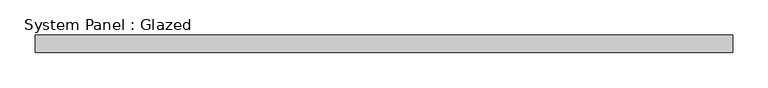
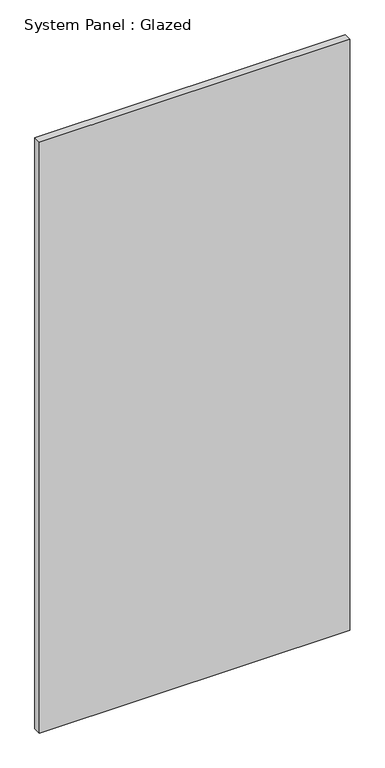
"""IFC4 building model written with IfcOpenShell, lengths in millimetres: plate geometry, System Panel : Glazed."""

from ifc_helpers import new_model, si_unit, origin, origin_with_axes, place, context, project, spatial, polyline, outline, extrude, source, transform, mapped, element, save


def system_panel_glazed_2672c85f(model_context):
    return source(origin(), model_context, "Body", "SweptSolid", [
        extrude(outline(polyline([(496.7256034, 24.5), (-496.7256034, 24.5), (-496.7256034, 49.5), (496.7256034, 49.5), (496.7256034, 24.5)])), origin_with_axes(), (0.0, 0.0, 1.0), 2000.0),
    ])


if __name__ == "__main__":
    model = new_model("IFC4")
    model_context = context("Model", 3, world=origin())
    ifc_project = project(units=[si_unit("LENGTHUNIT", "METRE", prefix="MILLI")], contexts=[model_context])
    site = spatial("IfcSite", under=ifc_project)
    building = spatial("IfcBuilding", under=site)
    placement = place(None, origin())
    system_panel_glazed_shape = system_panel_glazed_2672c85f(model_context)
    element("IfcPlate", 1, ObjectType="System Panel : Glazed", at=placement, inside=building, context=model_context, shape_type="MappedRepresentation", body=[
        mapped(system_panel_glazed_shape, transform((0.0, 0.0, 0.0), x_axis=(1.0, 0.0, 0.0), y_axis=(0.0, 1.0, 0.0), z_axis=(0.0, 0.0, 1.0))),
    ])
    save(model, "model.ifc")
